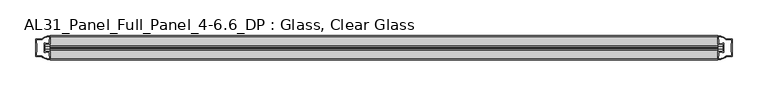
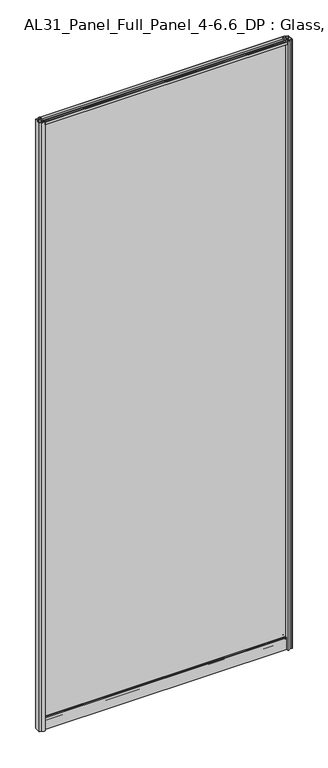
"""IFC4 building model written with IfcOpenShell, lengths in millimetres: plate geometry, AL31_Panel_Full_Panel_4-6.6_DP : Glass, Clear Glass."""

from ifc_helpers import new_model, si_unit, point, frame, frame_2d, origin, origin_with_axes, place, context, project, spatial, polyline, circle_curve, trimmed, segment, composite_curve, outline, extrude, source, transform, mapped, element, save


def al31_panel_full_panel_4_6_6_dp_glass_clear_glass_4c12543b(model_context):
    return source(origin(), model_context, "Body", "SweptSolid", [
        extrude(outline(composite_curve([segment(trimmed(circle_curve(frame_2d((-19.957, 2461.8572926)), 3.0), [point((-18.457, 2464.4553688))], [point((-17.4851586, 2460.1572926))], False, "CARTESIAN"), True, "CONTINUOUS"), segment(polyline([(-17.4851586, 2460.1572926), (-4.157, 2460.1572926), (-4.157, 2469.5572926), (-2.857, 2469.5572926), (-2.857, 2459.0572926), (-13.1545312, 2459.0572926), (-13.1545312, 2458.2572926), (-13.6601218, 2456.3357964), (-13.6601218, 2451.6572926), (-14.857, 2451.6572926), (-14.857, 2456.9912672), (-14.357, 2457.8572926), (-14.357, 2459.0572926), (-25.357, 2459.0572926), (-25.357, 2457.8572926), (-24.857, 2456.9912672), (-24.857, 2451.6572926), (-26.0538782, 2451.6572926), (-26.0538782, 2456.3357964), (-26.5594688, 2458.2572926), (-26.5594688, 2459.0572926), (-36.857, 2459.0572926), (-36.857, 2469.5572926), (-35.557, 2469.5572926), (-35.557, 2460.1572926), (-22.4288414, 2460.1572926)]), True, "CONTINUOUS"), segment(trimmed(circle_curve(frame_2d((-19.957, 2461.8572926)), 3.0), [point((-22.4288414, 2460.1572926))], [point((-21.457, 2464.4553688))], False, "CARTESIAN"), True, "CONTINUOUS"), segment(polyline([(-21.457, 2464.4553688), (-20.907, 2463.5027409)]), True, "CONTINUOUS"), segment(trimmed(circle_curve(frame_2d((-19.957, 2461.8572926)), 1.9), [point((-20.907, 2463.5027409))], [point((-19.007, 2463.5027409))], True, "CARTESIAN"), True, "CONTINUOUS"), segment(polyline([(-19.007, 2463.5027409), (-18.457, 2464.4553688)]), True, "CONTINUOUS")], self_intersect=False)), frame((-465.5405022, 0.0, 0.0), z_axis=(1.0, 0.0, 0.0), x_axis=(0.0, 1.0, 0.0)), (0.0, 0.0, 1.0), 931.0810043),
        extrude(outline(composite_curve([segment(polyline([(-11.457, 35.8), (-28.257, 35.8)]), True, "CONTINUOUS"), segment(trimmed(circle_curve(frame_2d((-28.257, 34.8)), 1.0), [point((-28.257, 35.8))], [point((-29.257, 34.8))], True, "CARTESIAN"), True, "CONTINUOUS"), segment(polyline([(-29.257, 34.8), (-29.257, 33.5), (-24.8569697, 33.5), (-24.8569697, 32.3), (-29.257, 32.3), (-29.257, 0.0), (-30.457, 0.0), (-30.457, 47.3)]), True, "CONTINUOUS"), segment(trimmed(circle_curve(frame_2d((-28.457, 47.3)), 2.0), [point((-30.457, 47.3))], [point((-28.457, 49.3))], False, "CARTESIAN"), True, "CONTINUOUS"), segment(polyline([(-28.457, 49.3), (-24.857, 49.3), (-24.857, 41.9), (-14.857, 41.9), (-14.857, 49.3), (-11.257, 49.3)]), True, "CONTINUOUS"), segment(trimmed(circle_curve(frame_2d((-11.257, 47.3)), 2.0), [point((-11.257, 49.3))], [point((-9.257, 47.3))], False, "CARTESIAN"), True, "CONTINUOUS"), segment(polyline([(-9.257, 47.3), (-9.257, 0.0), (-10.457, 0.0), (-10.457, 32.3), (-14.8569697, 32.3), (-14.8569697, 33.5), (-10.457, 33.5), (-10.457, 34.8)]), True, "CONTINUOUS"), segment(trimmed(circle_curve(frame_2d((-11.457, 34.8)), 1.0), [point((-10.457, 34.8))], [point((-11.457, 35.8))], True, "CARTESIAN"), True, "CONTINUOUS")], self_intersect=False), holes=[composite_curve([segment(polyline([(-26.3594688, 41.8), (-26.3594688, 42.9)]), True, "CONTINUOUS"), segment(trimmed(circle_curve(frame_2d((-25.1594688, 42.9)), 1.2), [point((-26.3594688, 42.9))], [point((-25.9768184, 43.7786009))], False, "CARTESIAN"), True, "CONTINUOUS"), segment(polyline([(-25.9768184, 43.7786009), (-25.9768184, 48.2), (-28.257, 48.2)]), True, "CONTINUOUS"), segment(trimmed(circle_curve(frame_2d((-28.257, 47.2)), 1.0), [point((-28.257, 48.2))], [point((-29.257, 47.2))], True, "CARTESIAN"), True, "CONTINUOUS"), segment(polyline([(-29.257, 47.2), (-29.257, 37.04), (-22.6578965, 37.04), (-22.6578965, 38.0725806), (-21.6940508, 38.0725806)]), True, "CONTINUOUS"), segment(trimmed(circle_curve(frame_2d((-19.857, 39.1)), 2.1048387), [point((-21.6940508, 38.0725806))], [point((-18.0199492, 38.0725806))], True, "CARTESIAN"), True, "CONTINUOUS"), segment(polyline([(-18.0199492, 38.0725806), (-17.0561035, 38.0725806), (-17.0561035, 37.04), (-10.457, 37.04), (-10.457, 47.2)]), True, "CONTINUOUS"), segment(trimmed(circle_curve(frame_2d((-11.457, 47.2)), 1.0), [point((-10.457, 47.2))], [point((-11.457, 48.2))], True, "CARTESIAN"), True, "CONTINUOUS"), segment(polyline([(-11.457, 48.2), (-13.7371816, 48.2), (-13.7371816, 43.5786009)]), True, "CONTINUOUS"), segment(trimmed(circle_curve(frame_2d((-14.5545312, 42.7)), 1.2), [point((-13.7371816, 43.5786009))], [point((-13.3545312, 42.7))], False, "CARTESIAN"), True, "CONTINUOUS"), segment(polyline([(-13.3545312, 42.7), (-13.3545312, 41.8)]), True, "CONTINUOUS"), segment(trimmed(circle_curve(frame_2d((-14.3545312, 41.8)), 1.0), [point((-13.3545312, 41.8))], [point((-14.3545312, 40.8))], False, "CARTESIAN"), True, "CONTINUOUS"), segment(polyline([(-14.3545312, 40.8), (-17.0561035, 40.8), (-17.0561035, 39.7274194), (-18.0199492, 39.7274194)]), True, "CONTINUOUS"), segment(trimmed(circle_curve(frame_2d((-19.857, 38.7)), 2.1048387), [point((-18.0199492, 39.7274194))], [point((-21.6940508, 39.7274194))], True, "CARTESIAN"), True, "CONTINUOUS"), segment(polyline([(-21.6940508, 39.7274194), (-22.6578965, 39.7274194), (-22.6578965, 40.8), (-25.3594688, 40.8)]), True, "CONTINUOUS"), segment(trimmed(circle_curve(frame_2d((-25.3594688, 41.8)), 1.0), [point((-25.3594688, 40.8))], [point((-26.3594688, 41.8))], False, "CARTESIAN"), True, "CONTINUOUS")], self_intersect=False)]), frame((-465.5405022, 0.0, 0.0), z_axis=(1.0, 0.0, 0.0), x_axis=(0.0, 1.0, 0.0)), (0.0, 0.0, 1.0), 931.0810043),
        extrude(outline(composite_curve([segment(polyline([(-473.3819235, -25.757), (-472.1819235, -25.757), (-472.1819235, -24.857), (-465.5405022, -24.857), (-465.5405022, -36.8571453)]), True, "CONTINUOUS"), segment(trimmed(circle_curve(frame_2d((-465.1758506, -16.8604698)), 20.0), [point((-465.5405022, -36.8571453))], [point((-476.8963374, -33.0663388))], False, "CARTESIAN"), True, "CONTINUOUS"), segment(polyline([(-476.8963374, -33.0663388), (-476.8963374, -32.1849343), (-485.5405022, -32.1849343), (-485.5405022, -7.4849343), (-476.8963374, -7.4849343), (-476.8963374, -6.6474751)]), True, "CONTINUOUS"), segment(trimmed(circle_curve(frame_2d((-465.1758506, -22.8533441)), 20.0), [point((-476.8963374, -6.6474751))], [point((-465.5405022, -2.8566686))], False, "CARTESIAN"), True, "CONTINUOUS"), segment(polyline([(-465.5405022, -2.8566686), (-465.5405022, -14.857), (-472.1819235, -14.857), (-472.1819235, -13.957), (-473.3819235, -13.957), (-473.3819235, -25.757)]), True, "CONTINUOUS")], self_intersect=False), holes=[composite_curve([segment(trimmed(circle_curve(frame_2d((-472.3819235, -14.157)), 1.5), [point((-472.3819235, -12.657))], [point((-471.0266692, -13.5141269))], False, "CARTESIAN"), True, "CONTINUOUS"), segment(polyline([(-471.0266692, -13.5141269), (-467.2819235, -13.5141269), (-467.2819235, -8.917777), (-466.8425837, -7.8571168), (-466.8425837, -4.2070183)]), True, "CONTINUOUS"), segment(trimmed(circle_curve(frame_2d((-465.1758506, -22.8325921)), 18.7), [point((-466.8425837, -4.2070183))], [point((-475.1826283, -7.0353013))], True, "CARTESIAN"), True, "CONTINUOUS"), segment(trimmed(circle_curve(frame_2d((-476.9819235, -6.9849343)), 1.8), [point((-475.1826283, -7.0353013))], [point((-476.9819235, -8.7849343))], False, "CARTESIAN"), True, "CONTINUOUS"), segment(polyline([(-476.9819235, -8.7849343), (-484.1233448, -8.7849343), (-484.1233448, -13.3550394), (-483.6819235, -14.417777), (-483.6819235, -25.2520916), (-484.1819235, -26.2449987), (-484.1819235, -30.8849343), (-476.9819235, -30.8849343)]), True, "CONTINUOUS"), segment(trimmed(circle_curve(frame_2d((-476.9819235, -32.6849343)), 1.8), [point((-476.9819235, -30.8849343))], [point((-475.1826283, -32.6345673))], False, "CARTESIAN"), True, "CONTINUOUS"), segment(trimmed(circle_curve(frame_2d((-465.1758506, -16.8372765)), 18.7), [point((-475.1826283, -32.6345673))], [point((-466.8425837, -35.4628503))], True, "CARTESIAN"), True, "CONTINUOUS"), segment(polyline([(-466.8425837, -35.4628503), (-466.8425837, -31.8127518), (-467.2819235, -30.7520916), (-467.2819235, -26.1561308), (-471.0067718, -26.1561308)]), True, "CONTINUOUS"), segment(trimmed(circle_curve(frame_2d((-472.3819235, -25.557)), 1.5), [point((-471.0067718, -26.1561308))], [point((-472.3819235, -27.057))], False, "CARTESIAN"), True, "CONTINUOUS"), segment(polyline([(-472.3819235, -27.057), (-474.6819235, -27.057), (-474.6819235, -12.657), (-472.3819235, -12.657)]), True, "CONTINUOUS")], self_intersect=False)]), origin_with_axes(), (0.0, 0.0, 1.0), 2469.5572926),
        extrude(outline(composite_curve([segment(polyline([(473.3819235, -13.957), (472.1819235, -13.957), (472.1819235, -14.857), (465.5405022, -14.857), (465.5405022, -2.8568547)]), True, "CONTINUOUS"), segment(trimmed(circle_curve(frame_2d((465.1758506, -22.8535302)), 20.0), [point((465.5405022, -2.8568547))], [point((476.8963374, -6.6476612))], False, "CARTESIAN"), True, "CONTINUOUS"), segment(polyline([(476.8963374, -6.6476612), (476.8963374, -7.5290657), (485.5405022, -7.5290657), (485.5405022, -32.2290657), (476.8963374, -32.2290657), (476.8963374, -33.0665249)]), True, "CONTINUOUS"), segment(trimmed(circle_curve(frame_2d((465.1758506, -16.8606559)), 20.0), [point((476.8963374, -33.0665249))], [point((465.5405022, -36.8573314))], False, "CARTESIAN"), True, "CONTINUOUS"), segment(polyline([(465.5405022, -36.8573314), (465.5405022, -24.857), (472.1819235, -24.857), (472.1819235, -25.757), (473.3819235, -25.757), (473.3819235, -13.957)]), True, "CONTINUOUS")], self_intersect=False), holes=[composite_curve([segment(trimmed(circle_curve(frame_2d((472.3819235, -25.557)), 1.5), [point((472.3819235, -27.057))], [point((471.0266692, -26.1998731))], False, "CARTESIAN"), True, "CONTINUOUS"), segment(polyline([(471.0266692, -26.1998731), (467.2819235, -26.1998731), (467.2819235, -30.796223), (466.8425837, -31.8568832), (466.8425837, -35.5069817)]), True, "CONTINUOUS"), segment(trimmed(circle_curve(frame_2d((465.1758506, -16.8814079)), 18.7), [point((466.8425837, -35.5069817))], [point((475.1826283, -32.6786987))], True, "CARTESIAN"), True, "CONTINUOUS"), segment(trimmed(circle_curve(frame_2d((476.9819235, -32.7290657)), 1.8), [point((475.1826283, -32.6786987))], [point((476.9819235, -30.9290657))], False, "CARTESIAN"), True, "CONTINUOUS"), segment(polyline([(476.9819235, -30.9290657), (484.1233448, -30.9290657), (484.1233448, -26.3589606), (483.6819235, -25.296223), (483.6819235, -14.4619084), (484.1819235, -13.4690013), (484.1819235, -8.8290657), (476.9819235, -8.8290657)]), True, "CONTINUOUS"), segment(trimmed(circle_curve(frame_2d((476.9819235, -7.0290657)), 1.8), [point((476.9819235, -8.8290657))], [point((475.1826283, -7.0794327))], False, "CARTESIAN"), True, "CONTINUOUS"), segment(trimmed(circle_curve(frame_2d((465.1758506, -22.8767235)), 18.7), [point((475.1826283, -7.0794327))], [point((466.8425837, -4.2511497))], True, "CARTESIAN"), True, "CONTINUOUS"), segment(polyline([(466.8425837, -4.2511497), (466.8425837, -7.9012482), (467.2819235, -8.9619084), (467.2819235, -13.5578692), (471.0067718, -13.5578692)]), True, "CONTINUOUS"), segment(trimmed(circle_curve(frame_2d((472.3819235, -14.157)), 1.5), [point((471.0067718, -13.5578692))], [point((472.3819235, -12.657))], False, "CARTESIAN"), True, "CONTINUOUS"), segment(polyline([(472.3819235, -12.657), (474.6819235, -12.657), (474.6819235, -27.057), (472.3819235, -27.057)]), True, "CONTINUOUS")], self_intersect=False)]), origin_with_axes(), (0.0, 0.0, 1.0), 2469.5572926),
        extrude(outline(polyline([(473.3819235, -17.857), (473.3819235, -21.857), (-473.3819235, -21.857), (-473.3819235, -17.857), (473.3819235, -17.857)])), frame((0.0, 0.0, 41.9), z_axis=(0.0, 0.0, 1.0), x_axis=(1.0, 0.0, 0.0)), (0.0, 0.0, 1.0), 2417.1572926),
    ])


if __name__ == "__main__":
    model = new_model("IFC4")
    model_context = context("Model", 3, world=origin())
    ifc_project = project(units=[si_unit("LENGTHUNIT", "METRE", prefix="MILLI")], contexts=[model_context])
    site = spatial("IfcSite", under=ifc_project)
    building = spatial("IfcBuilding", under=site)
    placement = place(None, origin())
    al31_panel_full_panel_4_6_6_dp_glass_clear_glass_shape = al31_panel_full_panel_4_6_6_dp_glass_clear_glass_4c12543b(model_context)
    element("IfcPlate", 1, ObjectType="AL31_Panel_Full_Panel_4-6.6_DP : Glass, Clear Glass", at=placement, inside=building, context=model_context, shape_type="MappedRepresentation", body=[
        mapped(al31_panel_full_panel_4_6_6_dp_glass_clear_glass_shape, transform((0.0, 0.0, 0.0), x_axis=(1.0, 0.0, 0.0), y_axis=(0.0, 1.0, 0.0), z_axis=(0.0, 0.0, 1.0))),
    ])
    save(model, "model.ifc")
